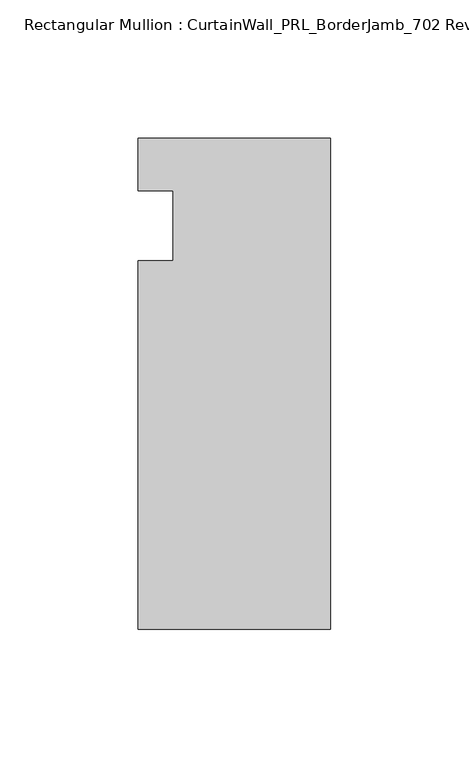
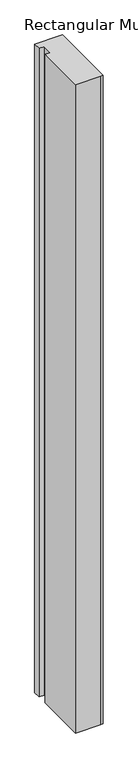
"""IFC4 building model written with IfcOpenShell, lengths in millimetres: member geometry, Rectangular Mullion : CurtainWall_PRL_BorderJamb_702 Reverse."""

from ifc_helpers import new_model, si_unit, frame, origin, place, context, project, spatial, polyline, outline, extrude, source, transform, mapped, element, save


def rectangular_mullion_curtainwall_prl_borderjamb_702_reverse_68edbcc2(model_context):
    return source(origin(), model_context, "Body", "SweptSolid", [
        extrude(outline(polyline([(-57.15, -12.7), (-57.15, 12.7), (-69.85, 12.7), (-69.85, 31.75), (-7.3958824, 31.75), (0.0, 31.75), (0.0, -146.05), (-6.35, -146.05), (-69.85, -146.05), (-69.85, -12.7), (-57.15, -12.7)])), frame((0.0, 0.0, -1727.2), z_axis=(0.0, 0.0, 1.0), x_axis=(1.0, 0.0, 0.0)), (0.0, 0.0, 1.0), 1727.2),
    ])


if __name__ == "__main__":
    model = new_model("IFC4")
    model_context = context("Model", 3, world=origin())
    ifc_project = project(units=[si_unit("LENGTHUNIT", "METRE", prefix="MILLI")], contexts=[model_context])
    site = spatial("IfcSite", under=ifc_project)
    building = spatial("IfcBuilding", under=site)
    placement = place(None, origin())
    rectangular_mullion_curtainwall_prl_borderjamb_702_reverse_shape = rectangular_mullion_curtainwall_prl_borderjamb_702_reverse_68edbcc2(model_context)
    element("IfcMember", 1, ObjectType="Rectangular Mullion : CurtainWall_PRL_BorderJamb_702 Reverse", at=placement, inside=building, context=model_context, shape_type="MappedRepresentation", body=[
        mapped(rectangular_mullion_curtainwall_prl_borderjamb_702_reverse_shape, transform((0.0, 0.0, 0.0), x_axis=(1.0, 0.0, 0.0), y_axis=(0.0, 1.0, 0.0), z_axis=(0.0, 0.0, 1.0))),
    ])
    save(model, "model.ifc")
